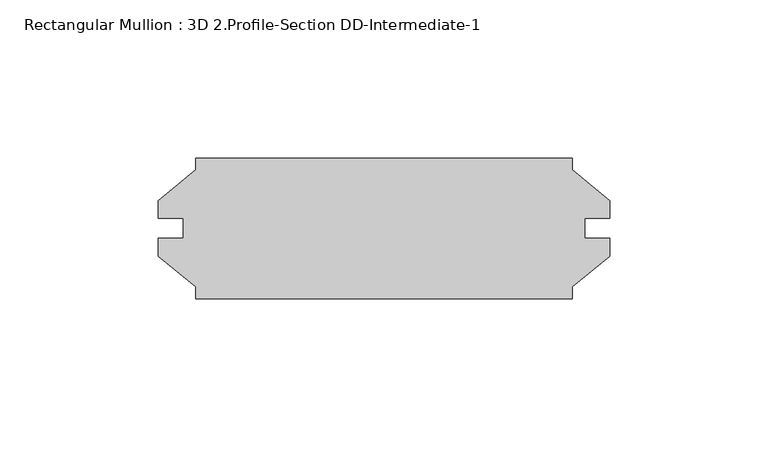
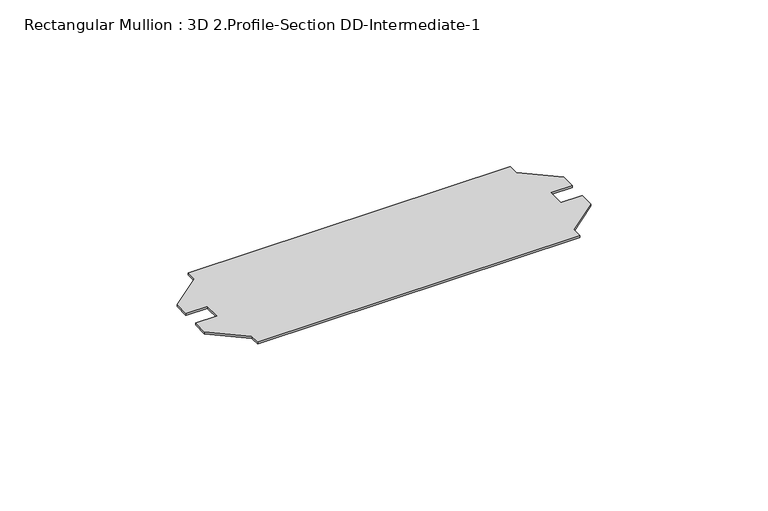
"""IFC4 building model written with IfcOpenShell, lengths in millimetres: member geometry, Rectangular Mullion : 3D 2.Profile-Section DD-Intermediate-1."""

from ifc_helpers import new_model, si_unit, frame, origin, place, context, project, spatial, polyline, outline, extrude, source, transform, mapped, element, save


def rectangular_mullion_3d_2_profile_section_dd_intermediate_1_a85d0ded(model_context):
    return source(origin(), model_context, "Body", "SweptSolid", [
        extrude(outline(polyline([(-15.6806426, -18.563286), (-15.6806426, -22.26945), (-134.7304426, -22.26945), (-134.7304426, -18.563286), (-146.6366926, -8.79475), (-146.6366926, -3.21945), (-138.6928426, -3.21945), (-138.6928426, 3.13055), (-146.6366926, 3.13055), (-146.6366926, 8.70585), (-134.7304426, 18.474386), (-134.7304426, 22.18055), (-15.6806426, 22.18055), (-15.6806426, 18.474386), (-3.7743926, 8.70585), (-3.7743926, 3.13055), (-11.7182426, 3.13055), (-11.7182426, -3.21945), (-3.7743926, -3.21945), (-3.7743926, -8.79475), (-15.6806426, -18.563286)])), frame((0.0, 0.0, -0.79375), z_axis=(0.0, 0.0, 1.0), x_axis=(1.0, 0.0, 0.0)), (0.0, 0.0, 1.0), 0.79375),
    ])


if __name__ == "__main__":
    model = new_model("IFC4")
    model_context = context("Model", 3, world=origin())
    ifc_project = project(units=[si_unit("LENGTHUNIT", "METRE", prefix="MILLI")], contexts=[model_context])
    site = spatial("IfcSite", under=ifc_project)
    building = spatial("IfcBuilding", under=site)
    placement = place(None, origin())
    rectangular_mullion_3d_2_profile_section_dd_intermediate_1_shape = rectangular_mullion_3d_2_profile_section_dd_intermediate_1_a85d0ded(model_context)
    element("IfcMember", 1, ObjectType="Rectangular Mullion : 3D 2.Profile-Section DD-Intermediate-1", at=placement, inside=building, context=model_context, shape_type="MappedRepresentation", body=[
        mapped(rectangular_mullion_3d_2_profile_section_dd_intermediate_1_shape, transform((0.0, 0.0, 0.0), x_axis=(1.0, 0.0, 0.0), y_axis=(0.0, 1.0, 0.0), z_axis=(0.0, 0.0, 1.0))),
    ])
    save(model, "model.ifc")
